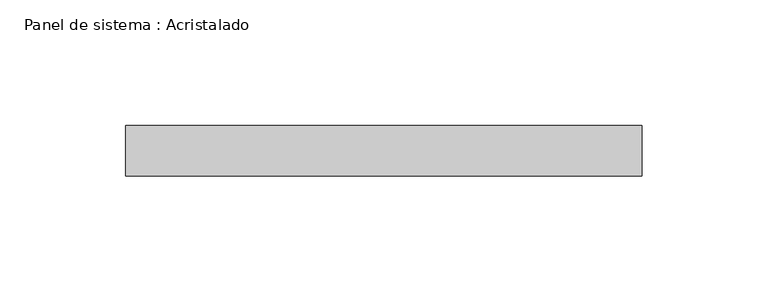
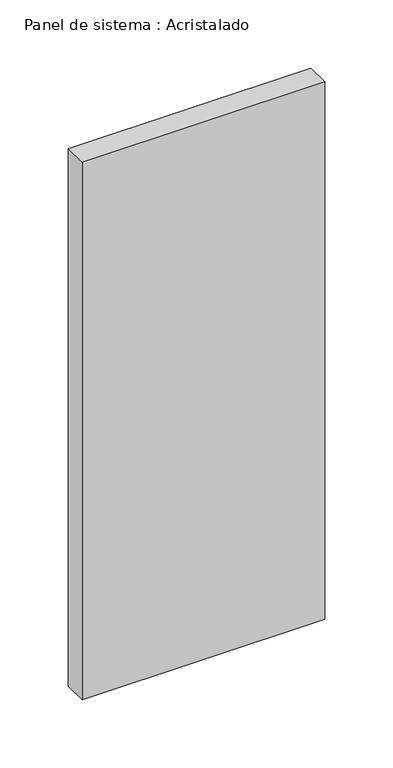
"""IFC4 building model written with IfcOpenShell, lengths in millimetres: plate geometry, Panel de sistema : Acristalado."""

from ifc_helpers import new_model, si_unit, origin, origin_with_axes, place, context, project, spatial, polyline, outline, extrude, source, transform, mapped, element, save


def panel_de_sistema_acristalado_0f197408(model_context):
    return source(origin(), model_context, "Body", "SweptSolid", [
        extrude(outline(polyline([(102.5, -10.0), (-102.5, -10.0), (-102.5, 10.0), (102.5, 10.0), (102.5, -10.0)])), origin_with_axes(), (0.0, 0.0, 1.0), 480.0197469),
    ])


if __name__ == "__main__":
    model = new_model("IFC4")
    model_context = context("Model", 3, world=origin())
    ifc_project = project(units=[si_unit("LENGTHUNIT", "METRE", prefix="MILLI")], contexts=[model_context])
    site = spatial("IfcSite", under=ifc_project)
    building = spatial("IfcBuilding", under=site)
    placement = place(None, origin())
    panel_de_sistema_acristalado_shape = panel_de_sistema_acristalado_0f197408(model_context)
    element("IfcPlate", 1, ObjectType="Panel de sistema : Acristalado", at=placement, inside=building, context=model_context, shape_type="MappedRepresentation", body=[
        mapped(panel_de_sistema_acristalado_shape, transform((0.0, 0.0, 0.0), x_axis=(1.0, 0.0, 0.0), y_axis=(0.0, 1.0, 0.0), z_axis=(0.0, 0.0, 1.0))),
    ])
    save(model, "model.ifc")
